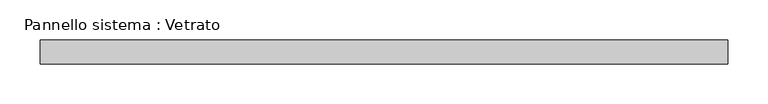
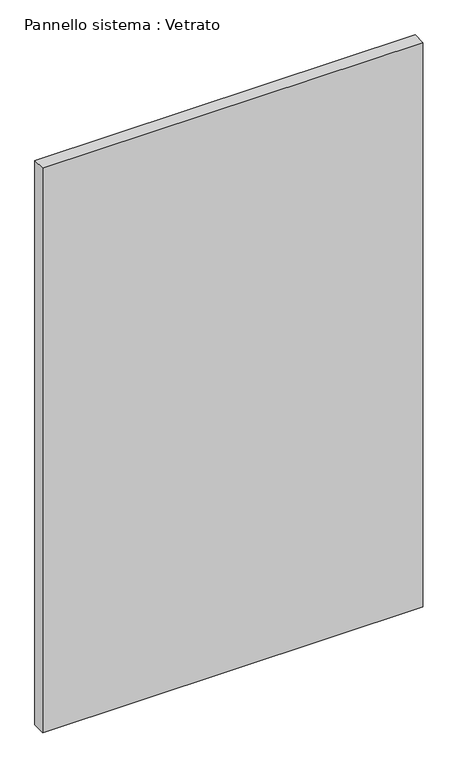
"""IFC4 building model written with IfcOpenShell, lengths in millimetres: plate geometry, Pannello sistema : Vetrato."""

import ifcopenshell
import ifcopenshell.guid

model = None  # the IFC model being written
_history = None  # IfcOwnerHistory: only IFC2X3 demands one
_inside = {}  # id of a spatial element -> (the spatial element, [elements in it])
_under = {}  # id of a project, library or spatial element -> (it, [spatial elements below it])
_declared = {}  # id of a project -> (the project, [libraries it declares])
_typed = {}  # id of a type object -> (the type object, [elements of that type])
_made_of = {}  # id of a material, layer set ... -> (it, [elements and type objects made of it])


def new_model(schema):
    """Start an empty IFC model of exactly this schema.

    Asked for "IFC4X3", IfcOpenShell would pick the latest addendum, in which some entities
    have other attributes; the version numbers below select the first issue.
    IFC2X3 requires an IfcOwnerHistory on every rooted entity: one is made here for all.
    """
    global model, _history
    if schema == "IFC4X3":
        model = ifcopenshell.file(schema_version=(4, 3, 0, 0))
    else:
        model = ifcopenshell.file(schema=schema)
    _inside.clear()
    _under.clear()
    _declared.clear()
    _typed.clear()
    _made_of.clear()
    _history = None
    if model.schema == "IFC2X3":
        org = make("IfcOrganization", Name="unknown")
        user = make(
            "IfcPersonAndOrganization",
            ThePerson=make("IfcPerson", FamilyName="unknown"),
            TheOrganization=org,
        )
        app = make(
            "IfcApplication",
            ApplicationDeveloper=org,
            Version="unknown",
            ApplicationFullName="unknown",
            ApplicationIdentifier="unknown",
        )
        _history = make(
            "IfcOwnerHistory",
            OwningUser=user,
            OwningApplication=app,
            ChangeAction="ADDED",
            CreationDate=0,
        )
    return model


def make(cls, **values):
    """One entity of the class cls with the attributes given. An attribute that is None is left unset."""
    return model.create_entity(
        cls, **{name: value for name, value in values.items() if value is not None}
    )


def rooted(cls, **values):
    """An entity with a GlobalId (a new one), such as an element, a storey or a relation."""
    return make(cls, GlobalId=ifcopenshell.guid.new(), OwnerHistory=_history, **values)


def si_unit(unit_type, name, prefix=None):
    """IfcSIUnit, for example si_unit("LENGTHUNIT", "METRE", prefix="MILLI")."""
    return make("IfcSIUnit", UnitType=unit_type, Prefix=prefix, Name=name)


def assignment(units):
    """IfcUnitAssignment: the units of a project."""
    return None if units is None else make("IfcUnitAssignment", Units=units)


def point(xyz):
    """IfcCartesianPoint."""
    return None if xyz is None else make("IfcCartesianPoint", Coordinates=xyz)


def direction(xyz):
    """IfcDirection."""
    return None if xyz is None else make("IfcDirection", DirectionRatios=xyz)


def frame(location, z_axis=None, x_axis=None):
    """IfcAxis2Placement3D, a coordinate frame: its origin and axes. An axis left out is left unset."""
    return make(
        "IfcAxis2Placement3D",
        Location=point(location),
        Axis=direction(z_axis),
        RefDirection=direction(x_axis),
    )


def origin():
    """The frame at (0, 0, 0) with its axes left unset."""
    return frame((0.0, 0.0, 0.0))


def origin_with_axes():
    """The frame at (0, 0, 0) with the z axis (0, 0, 1) and the x axis (1, 0, 0) written out."""
    return frame((0.0, 0.0, 0.0), z_axis=(0.0, 0.0, 1.0), x_axis=(1.0, 0.0, 0.0))


def place(relative_to, where):
    """IfcLocalPlacement: puts the frame where relative to a parent placement (None: the world)."""
    return make(
        "IfcLocalPlacement", PlacementRelTo=relative_to, RelativePlacement=where
    )


def context(
    kind, dimensions, precision=None, world=None, true_north=None, identifier=None
):
    """IfcGeometricRepresentationContext, for example the 3D "Model" context."""
    return make(
        "IfcGeometricRepresentationContext",
        ContextIdentifier=identifier,
        ContextType=kind,
        CoordinateSpaceDimension=dimensions,
        Precision=precision,
        WorldCoordinateSystem=world,
        TrueNorth=true_north,
    )


def project(units=None, contexts=None):
    """IfcProject with its units and contexts."""
    return rooted(
        "IfcProject",
        Name="project",
        RepresentationContexts=contexts,
        UnitsInContext=assignment(units),
    )


def spatial(cls, under=None, at=None, **own):
    """A site, building, storey or space (cls), placed at a placement, below another one or the project."""
    s = rooted(cls, ObjectPlacement=at, **own)
    if under is not None:
        _under.setdefault(under.id(), (under, []))[1].append(s)
    return s


def polyline(points):
    """IfcPolyline through the points."""
    return make("IfcPolyline", Points=[point(p) for p in points])


def outline(outer, holes=None, kind="AREA"):
    """IfcArbitraryClosedProfileDef: a profile drawn as a closed curve; with holes, ...WithVoids."""
    if holes is None:
        return make("IfcArbitraryClosedProfileDef", ProfileType=kind, OuterCurve=outer)
    return make(
        "IfcArbitraryProfileDefWithVoids",
        ProfileType=kind,
        OuterCurve=outer,
        InnerCurves=holes,
    )


def extrude(swept, where, along, depth):
    """IfcExtrudedAreaSolid: the profile swept, set in the frame where, extruded along a direction by depth."""
    return make(
        "IfcExtrudedAreaSolid",
        SweptArea=swept,
        Position=where,
        ExtrudedDirection=direction(along),
        Depth=depth,
    )


def shape(context_of_items, identifier, shape_type, items):
    """IfcShapeRepresentation: the items that make up one representation, for example the "Body"."""
    return make(
        "IfcShapeRepresentation",
        ContextOfItems=context_of_items,
        RepresentationIdentifier=identifier,
        RepresentationType=shape_type,
        Items=items,
    )


def source(mapping_origin, context_of_items, identifier, shape_type, items):
    """IfcRepresentationMap: a shape defined once, which mapped items show again and again."""
    return make(
        "IfcRepresentationMap",
        MappingOrigin=mapping_origin,
        MappedRepresentation=shape(context_of_items, identifier, shape_type, items),
    )


def transform(
    local_origin,
    x_axis=None,
    y_axis=None,
    z_axis=None,
    scale=None,
    scale2=None,
    scale3=None,
    uniform=True,
):
    """IfcCartesianTransformationOperator3D, or its non-uniform kind. x_axis, y_axis, z_axis: its Axis1, 2, 3."""
    if uniform:
        return make(
            "IfcCartesianTransformationOperator3D",
            Axis1=direction(x_axis),
            Axis2=direction(y_axis),
            LocalOrigin=point(local_origin),
            Scale=scale,
            Axis3=direction(z_axis),
        )
    return make(
        "IfcCartesianTransformationOperator3DnonUniform",
        Axis1=direction(x_axis),
        Axis2=direction(y_axis),
        LocalOrigin=point(local_origin),
        Scale=scale,
        Axis3=direction(z_axis),
        Scale2=scale2,
        Scale3=scale3,
    )


def mapped(mapping_source, mapping_target):
    """IfcMappedItem: shows the shape of a source again, moved by a transform."""
    return make(
        "IfcMappedItem", MappingSource=mapping_source, MappingTarget=mapping_target
    )


def made_of(thing, what):
    """Note that an element or type object is made of a material, layer set ...; save() writes the relation."""
    if what is not None:
        _made_of.setdefault(what.id(), (what, []))[1].append(thing)
    return thing


def element(
    cls,
    number,
    at=None,
    inside=None,
    cuts=None,
    type_object=None,
    material=None,
    context=None,
    identifier="Body",
    shape_type=None,
    held_by="IfcProductDefinitionShape",
    body=None,
    shapes=None,
    **own,
):
    """One element of the class cls, such as IfcWall. Its Tag is "e" and its number.

    at: its placement. inside: the storey or other place that contains it. cuts: it is an
    opening in that element (IfcRelVoidsElement). A single representation is given by context,
    identifier, shape_type and body (its items); several are given by shapes. held_by: the class
    of the entity that holds the representations. save() writes the other relations.
    """
    e = rooted(cls, Tag="e%d" % number, ObjectPlacement=at, **own)
    if body is not None:
        shapes = [shape(context, identifier, shape_type, body)]
    if shapes is not None:
        e.Representation = make(held_by, Representations=shapes)
    if inside is not None:
        _inside.setdefault(inside.id(), (inside, []))[1].append(e)
    if cuts is not None:
        rooted(
            "IfcRelVoidsElement", RelatingBuildingElement=cuts, RelatedOpeningElement=e
        )
    if type_object is not None:
        _typed.setdefault(type_object.id(), (type_object, []))[1].append(e)
    return made_of(e, material)


def aggregate(whole, parts):
    """IfcRelAggregates: a whole, such as a stair, and the parts it consists of."""
    return rooted("IfcRelAggregates", RelatingObject=whole, RelatedObjects=parts)


def save(model, path):
    """Write the relations noted so far, then the file.

    IfcRelAggregates (storeys below a building ...), IfcRelContainedInSpatialStructure (elements
    in a storey), IfcRelDefinesByType, IfcRelAssociatesMaterial and IfcRelDeclares: one each for
    every whole, place, type object, material and project.
    """
    for whole, parts in _under.values():
        aggregate(whole, parts)
    for where, things in _inside.values():
        rooted(
            "IfcRelContainedInSpatialStructure",
            RelatedElements=things,
            RelatingStructure=where,
        )
    for kind, things in _typed.values():
        rooted("IfcRelDefinesByType", RelatedObjects=things, RelatingType=kind)
    for what, things in _made_of.values():
        rooted("IfcRelAssociatesMaterial", RelatedObjects=things, RelatingMaterial=what)
    for by, libraries in _declared.values():
        rooted("IfcRelDeclares", RelatingContext=by, RelatedDefinitions=libraries)
    model.write(path)


def pannello_sistema_vetrato_93063682(model_context):
    return source(origin(), model_context, "Body", "SweptSolid", [
        extrude(outline(polyline([(429.9896818, -15.0), (-429.9896818, -15.0), (-429.9896818, 15.0), (429.9896818, 15.0), (429.9896818, -15.0)])), origin_with_axes(), (0.0, 0.0, 1.0), 1350.0),
    ])


if __name__ == "__main__":
    model = new_model("IFC4")
    model_context = context("Model", 3, world=origin())
    ifc_project = project(units=[si_unit("LENGTHUNIT", "METRE", prefix="MILLI")], contexts=[model_context])
    site = spatial("IfcSite", under=ifc_project)
    building = spatial("IfcBuilding", under=site)
    placement = place(None, origin())
    pannello_sistema_vetrato_shape = pannello_sistema_vetrato_93063682(model_context)
    element("IfcPlate", 1, ObjectType="Pannello sistema : Vetrato", at=placement, inside=building, context=model_context, shape_type="MappedRepresentation", body=[
        mapped(pannello_sistema_vetrato_shape, transform((0.0, 0.0, 0.0), x_axis=(1.0, 0.0, 0.0), y_axis=(0.0, 1.0, 0.0), z_axis=(0.0, 0.0, 1.0))),
    ])
    save(model, "model.ifc")
